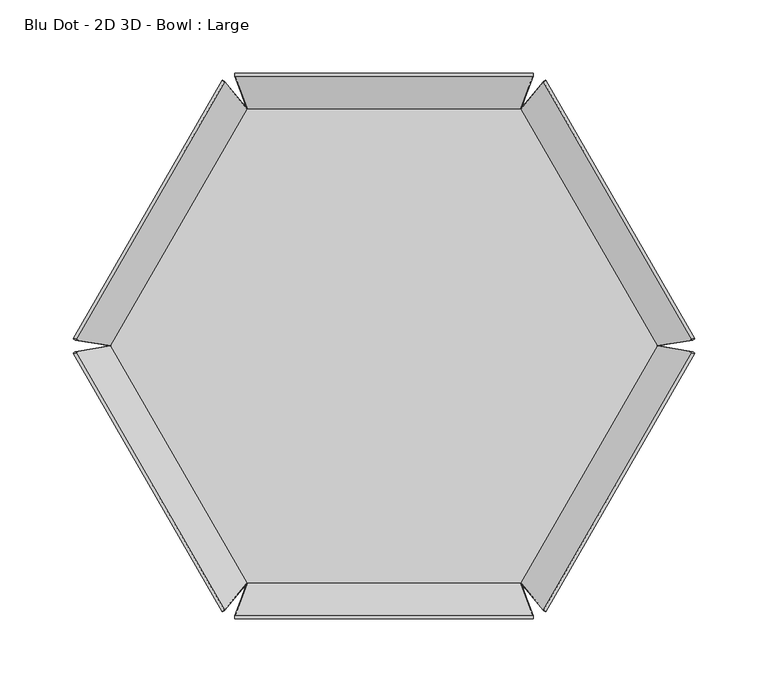
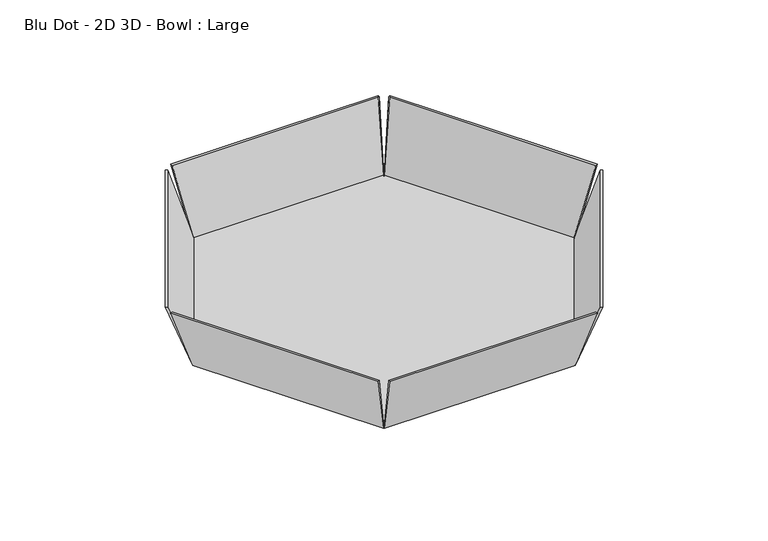
"""IFC4 building model written with IfcOpenShell, lengths in millimetres: furniture geometry, Blu Dot - 2D 3D - Bowl : Large."""

from ifc_helpers import new_model, si_unit, frame, origin, place, context, project, spatial, polyline, outline, extrude, source, transform, mapped, element, save
from ifc_brep_helpers import plane_surface, spline_surface, advanced_brep


def blu_dot_2d_3d_bowl_large_12595925(model_context):
    return source(origin(), model_context, "Body", "SolidModel", [
        advanced_brep(
        [(108.9397934, 180.8322189, 193.0161495), (211.0751918, 3.9285362, 193.0161495), (212.8600907, 4.9590481, 193.0161495), (110.7246923, 181.8627308, 193.0161495), (93.5859912, 162.0956614, 127.0), (94.3052418, 163.3414522, 127.0), (188.610468, 2.42e-05, 127.0), (187.1719562, 3.02e-05, 127.0)],
        [
            (0, 1),
            (1, 2),
            (2, 3),
            (3, 0),
            (4, 5),
            (5, 6),
            (6, 7),
            (7, 4),
            (7, 1),
            (0, 4),
            (6, 2),
            (5, 3),
        ],
        [
            plane_surface(frame((160.8999421, 92.8956335, 193.0161495), z_axis=(0.0, 0.0, 1.0), x_axis=(-0.8660253836258849, -0.5000000349156377, 0.0))),
            plane_surface(frame((140.9184143, 81.359292, 127.0), z_axis=(0.0, 0.0, -1.0), x_axis=(-0.8660253836258849, -0.5000000349156377, 0.0))),
            plane_surface(frame((140.3789737, 81.0478458, 127.0), z_axis=(-0.8190953028275529, -0.4729049376108498, 0.3247211186065942), x_axis=(0.5000000349156377, -0.8660253836258849, 0.0))),
            spline_surface(1, 1, [[(187.1719562, 3.02e-05, 127.0), (211.0751918, 3.9285362, 193.0161495)], [(188.610468, 2.42e-05, 127.0), (212.8600907, 4.9590481, 193.0161495)]], [2, 2], [2, 2], [0.0, 1.0], [0.0, 1.0]),
            plane_surface(frame((141.4578549, 81.6707382, 127.0), z_axis=(0.8159510433962468, 0.4710895984127599, -0.33510966122730784), x_axis=(-0.5000000349156377, 0.8660253836258849, 0.0))),
            spline_surface(1, 1, [[(94.3052418, 163.3414522, 127.0), (110.7246923, 181.8627308, 193.0161495)], [(93.5859912, 162.0956614, 127.0), (108.9397934, 180.8322189, 193.0161495)]], [2, 2], [2, 2], [0.0, 1.0], [0.0, 1.0]),
        ],
        [
            (0, [[1, 2, 3, 4]]),
            (1, [[5, 6, 7, 8]]),
            (2, [[-8, 9, -1, 10]]),
            (3, [[-7, 11, -2, -9]]),
            (4, [[-6, 12, -3, -11]]),
            (5, [[-5, -10, -4, -12]]),
        ],
    ),
        extrude(outline(polyline([(93.5859563, 162.0956614), (187.1719562, -3.02e-05), (93.5859803, -162.0956802), (-93.5859803, -162.0956802), (-187.1719562, -3.02e-05), (-93.5859563, 162.0956614), (93.5859563, 162.0956614)])), frame((0.0, 0.0, 127.0), z_axis=(0.0, 0.0, 1.0), x_axis=(1.0, 0.0, 0.0)), (0.0, 0.0, 1.0), 1.4073938),
        advanced_brep(
        [(108.9397934, -180.8322189, 193.0161495), (110.7246923, -181.8627308, 193.0161495), (212.8600907, -4.9590481, 193.0161495), (211.0751918, -3.9285362, 193.0161495), (93.5859912, -162.0956614, 127.0), (187.1719562, -3.02e-05, 127.0), (188.610468, -2.42e-05, 127.0), (94.3052418, -163.3414522, 127.0)],
        [
            (0, 1),
            (1, 2),
            (2, 3),
            (3, 0),
            (4, 5),
            (5, 6),
            (6, 7),
            (7, 4),
            (4, 0),
            (3, 5),
            (2, 6),
            (1, 7),
        ],
        [
            plane_surface(frame((160.8999421, -92.8956335, 193.0161495), z_axis=(0.0, 0.0, 1.0), x_axis=(0.5000000349156377, 0.8660253836258849, 0.0))),
            plane_surface(frame((140.9184143, -81.359292, 127.0), z_axis=(0.0, 0.0, -1.0), x_axis=(0.5000000349156377, 0.8660253836258849, 0.0))),
            plane_surface(frame((140.3789737, -81.0478458, 127.0), z_axis=(-0.8190953028275523, 0.4729049376108494, 0.3247211186065966), x_axis=(-0.5000000349156377, -0.8660253836258849, 0.0))),
            spline_surface(1, 1, [[(188.610468, -2.42e-05, 127.0), (212.8600907, -4.9590481, 193.0161495)], [(187.1719562, -3.02e-05, 127.0), (211.0751918, -3.9285362, 193.0161495)]], [2, 2], [2, 2], [0.0, 1.0], [0.0, 1.0]),
            plane_surface(frame((141.4578549, -81.6707382, 127.0), z_axis=(0.8159510433962459, -0.4710895984127593, -0.33510966122731056), x_axis=(0.5000000349156377, 0.8660253836258849, 0.0))),
            spline_surface(1, 1, [[(93.5859912, -162.0956614, 127.0), (108.9397934, -180.8322189, 193.0161495)], [(94.3052418, -163.3414522, 127.0), (110.7246923, -181.8627308, 193.0161495)]], [2, 2], [2, 2], [0.0, 1.0], [0.0, 1.0]),
        ],
        [
            (0, [[1, 2, 3, 4]]),
            (1, [[5, 6, 7, 8]]),
            (2, [[-5, 9, -4, 10]]),
            (3, [[-6, -10, -3, 11]]),
            (4, [[-7, -11, -2, 12]]),
            (5, [[-8, -12, -1, -9]]),
        ],
    ),
        advanced_brep(
        [(-108.9397934, -180.8322189, 193.0161495), (-211.0751918, -3.9285362, 193.0161495), (-212.8600907, -4.9590481, 193.0161495), (-110.7246923, -181.8627308, 193.0161495), (-93.5859912, -162.0956614, 127.0), (-94.3052418, -163.3414522, 127.0), (-188.610468, -2.42e-05, 127.0), (-187.1719562, -3.02e-05, 127.0)],
        [
            (0, 1),
            (1, 2),
            (2, 3),
            (3, 0),
            (4, 5),
            (5, 6),
            (6, 7),
            (7, 4),
            (7, 1),
            (0, 4),
            (6, 2),
            (5, 3),
        ],
        [
            plane_surface(frame((-160.8999421, -92.8956335, 193.0161495), z_axis=(0.0, 0.0, 1.0), x_axis=(0.8660253836258849, 0.5000000349156377, 0.0))),
            plane_surface(frame((-140.9184143, -81.359292, 127.0), z_axis=(0.0, 0.0, -1.0), x_axis=(0.8660253836258849, 0.5000000349156377, 0.0))),
            plane_surface(frame((-140.3789737, -81.0478458, 127.0), z_axis=(0.8190953028275535, 0.4729049376108501, 0.32472111860659214), x_axis=(-0.5000000349156377, 0.8660253836258849, 0.0))),
            spline_surface(1, 1, [[(-187.1719562, -3.02e-05, 127.0), (-211.0751918, -3.9285362, 193.0161495)], [(-188.610468, -2.42e-05, 127.0), (-212.8600907, -4.9590481, 193.0161495)]], [2, 2], [2, 2], [0.0, 1.0], [0.0, 1.0]),
            plane_surface(frame((-141.4578549, -81.6707382, 127.0), z_axis=(-0.8159510433962474, -0.47108959841276016, -0.335109661227306), x_axis=(0.5000000349156377, -0.8660253836258849, 0.0))),
            spline_surface(1, 1, [[(-94.3052418, -163.3414522, 127.0), (-110.7246923, -181.8627308, 193.0161495)], [(-93.5859912, -162.0956614, 127.0), (-108.9397934, -180.8322189, 193.0161495)]], [2, 2], [2, 2], [0.0, 1.0], [0.0, 1.0]),
        ],
        [
            (0, [[1, 2, 3, 4]]),
            (1, [[5, 6, 7, 8]]),
            (2, [[-8, 9, -1, 10]]),
            (3, [[-7, 11, -2, -9]]),
            (4, [[-6, 12, -3, -11]]),
            (5, [[-5, -10, -4, -12]]),
        ],
    ),
        advanced_brep(
        [(-108.9397934, 180.8322189, 193.0161495), (-110.7246923, 181.8627308, 193.0161495), (-212.8600907, 4.9590481, 193.0161495), (-211.0751918, 3.9285362, 193.0161495), (-93.5859912, 162.0956614, 127.0), (-187.1719562, 3.02e-05, 127.0), (-188.610468, 2.42e-05, 127.0), (-94.3052418, 163.3414522, 127.0)],
        [
            (0, 1),
            (1, 2),
            (2, 3),
            (3, 0),
            (4, 5),
            (5, 6),
            (6, 7),
            (7, 4),
            (4, 0),
            (3, 5),
            (2, 6),
            (1, 7),
        ],
        [
            plane_surface(frame((-160.8999421, 92.8956335, 193.0161495), z_axis=(0.0, 0.0, 1.0), x_axis=(-0.5000000349156377, -0.8660253836258849, 0.0))),
            plane_surface(frame((-140.9184143, 81.359292, 127.0), z_axis=(0.0, 0.0, -1.0), x_axis=(-0.5000000349156377, -0.8660253836258849, 0.0))),
            plane_surface(frame((-140.3789737, 81.0478458, 127.0), z_axis=(0.8190953028275532, -0.4729049376108499, 0.32472111860659336), x_axis=(0.5000000349156377, 0.8660253836258849, 0.0))),
            spline_surface(1, 1, [[(-188.610468, 2.42e-05, 127.0), (-212.8600907, 4.9590481, 193.0161495)], [(-187.1719562, 3.02e-05, 127.0), (-211.0751918, 3.9285362, 193.0161495)]], [2, 2], [2, 2], [0.0, 1.0], [0.0, 1.0]),
            plane_surface(frame((-141.4578549, 81.6707382, 127.0), z_axis=(-0.8159510433962468, 0.4710895984127599, -0.33510966122730745), x_axis=(-0.5000000349156377, -0.8660253836258849, 0.0))),
            spline_surface(1, 1, [[(-93.5859912, 162.0956614, 127.0), (-108.9397934, 180.8322189, 193.0161495)], [(-94.3052418, 163.3414522, 127.0), (-110.7246923, 181.8627308, 193.0161495)]], [2, 2], [2, 2], [0.0, 1.0], [0.0, 1.0]),
        ],
        [
            (0, [[1, 2, 3, 4]]),
            (1, [[5, 6, 7, 8]]),
            (2, [[-5, 9, -4, 10]]),
            (3, [[-6, -10, -3, 11]]),
            (4, [[-7, -11, -2, 12]]),
            (5, [[-8, -12, -1, -9]]),
        ],
    ),
        advanced_brep(
        [(102.1353912, 184.7607422, 193.0161495), (102.1353912, 186.8217659, 193.0161495), (-102.1353912, 186.8217659, 193.0161495), (-102.1353912, 184.7607422, 193.0161495), (93.5859585, 162.0956802, 127.0), (-93.5859585, 162.0956802, 127.0), (-94.3052197, 163.341465, 127.0), (94.3052197, 163.341465, 127.0)],
        [
            (0, 1),
            (1, 2),
            (2, 3),
            (3, 0),
            (4, 5),
            (5, 6),
            (6, 7),
            (7, 4),
            (4, 0),
            (3, 5),
            (2, 6),
            (1, 7),
        ],
        [
            plane_surface(frame((0.0, 185.791254, 193.0161495), z_axis=(0.0, 0.0, 1.0), x_axis=(-1.0, 0.0, 0.0))),
            plane_surface(frame((0.0, 162.7185726, 127.0), z_axis=(0.0, 0.0, -1.0), x_axis=(-1.0, 0.0, 0.0))),
            plane_surface(frame((0.0, 162.0956802, 127.0), z_axis=(0.0, -0.9458098091745938, 0.3247211186065955), x_axis=(1.0, 0.0, 0.0))),
            spline_surface(1, 1, [[(-94.3052197, 163.341465, 127.0), (-102.1353912, 186.8217659, 193.0161495)], [(-93.5859585, 162.0956802, 127.0), (-102.1353912, 184.7607422, 193.0161495)]], [2, 2], [2, 2], [0.0, 1.0], [0.0, 1.0]),
            plane_surface(frame((0.0, 163.341465, 127.0), z_axis=(0.0, 0.9421791310319487, -0.3351096612273092), x_axis=(-1.0, 0.0, 0.0))),
            spline_surface(1, 1, [[(93.5859585, 162.0956802, 127.0), (102.1353912, 184.7607422, 193.0161495)], [(94.3052197, 163.341465, 127.0), (102.1353912, 186.8217659, 193.0161495)]], [2, 2], [2, 2], [0.0, 1.0], [0.0, 1.0]),
        ],
        [
            (0, [[1, 2, 3, 4]]),
            (1, [[5, 6, 7, 8]]),
            (2, [[-5, 9, -4, 10]]),
            (3, [[-6, -10, -3, 11]]),
            (4, [[-7, -11, -2, 12]]),
            (5, [[-8, -12, -1, -9]]),
        ],
    ),
        advanced_brep(
        [(102.1353912, -184.7607422, 193.0161495), (-102.1353912, -184.7607422, 193.0161495), (-102.1353912, -186.8217659, 193.0161495), (102.1353912, -186.8217659, 193.0161495), (93.5859585, -162.0956802, 127.0), (94.3052197, -163.341465, 127.0), (-94.3052197, -163.341465, 127.0), (-93.5859585, -162.0956802, 127.0)],
        [
            (0, 1),
            (1, 2),
            (2, 3),
            (3, 0),
            (4, 5),
            (5, 6),
            (6, 7),
            (7, 4),
            (7, 1),
            (0, 4),
            (6, 2),
            (5, 3),
        ],
        [
            plane_surface(frame((0.0, -185.791254, 193.0161495), z_axis=(0.0, 0.0, 1.0), x_axis=(0.0, 1.0, 0.0))),
            plane_surface(frame((0.0, -162.7185726, 127.0), z_axis=(0.0, 0.0, -1.0), x_axis=(0.0, 1.0, 0.0))),
            plane_surface(frame((0.0, -162.0956802, 127.0), z_axis=(0.0, 0.9458098091745938, 0.3247211186065955), x_axis=(-1.0, 0.0, 0.0))),
            spline_surface(1, 1, [[(-93.5859585, -162.0956802, 127.0), (-102.1353912, -184.7607422, 193.0161495)], [(-94.3052197, -163.341465, 127.0), (-102.1353912, -186.8217659, 193.0161495)]], [2, 2], [2, 2], [0.0, 1.0], [0.0, 1.0]),
            plane_surface(frame((0.0, -163.341465, 127.0), z_axis=(0.0, -0.9421791310319487, -0.3351096612273092), x_axis=(1.0, 0.0, 0.0))),
            spline_surface(1, 1, [[(94.3052197, -163.341465, 127.0), (102.1353912, -186.8217659, 193.0161495)], [(93.5859585, -162.0956802, 127.0), (102.1353912, -184.7607422, 193.0161495)]], [2, 2], [2, 2], [0.0, 1.0], [0.0, 1.0]),
        ],
        [
            (0, [[1, 2, 3, 4]]),
            (1, [[5, 6, 7, 8]]),
            (2, [[-8, 9, -1, 10]]),
            (3, [[-7, 11, -2, -9]]),
            (4, [[-6, 12, -3, -11]]),
            (5, [[-5, -10, -4, -12]]),
        ],
    ),
    ])


if __name__ == "__main__":
    model = new_model("IFC4")
    model_context = context("Model", 3, world=origin())
    ifc_project = project(units=[si_unit("LENGTHUNIT", "METRE", prefix="MILLI")], contexts=[model_context])
    site = spatial("IfcSite", under=ifc_project)
    building = spatial("IfcBuilding", under=site)
    placement = place(None, origin())
    blu_dot_2d_3d_bowl_large_shape = blu_dot_2d_3d_bowl_large_12595925(model_context)
    element("IfcFurniture", 1, ObjectType="Blu Dot - 2D 3D - Bowl : Large", at=placement, inside=building, context=model_context, shape_type="MappedRepresentation", body=[
        mapped(blu_dot_2d_3d_bowl_large_shape, transform((0.0, 0.0, 0.0), x_axis=(1.0, 0.0, 0.0), y_axis=(0.0, 1.0, 0.0), z_axis=(0.0, 0.0, 1.0))),
    ])
    save(model, "model.ifc")
